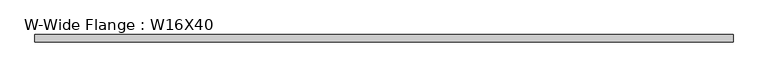
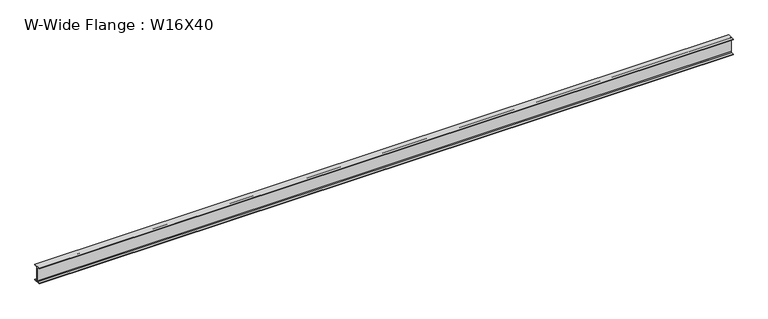
"""IFC4 building model written with IfcOpenShell, lengths in millimetres: beam geometry, W-Wide Flange : W16X40."""

from ifc_helpers import new_model, si_unit, point, frame, frame_2d, origin, place, context, project, spatial, polyline, circle_curve, trimmed, segment, composite_curve, outline, extrude, source, transform, mapped, element, save


def w_wide_flange_w16x40_b21cb5b0(model_context):
    return source(origin(), model_context, "Body", "SweptSolid", [
        extrude(outline(composite_curve([segment(polyline([(88.9, -190.4), (88.9, -203.2), (-88.9, -203.2), (-88.9, -190.4), (-21.25, -190.4)]), True, "CONTINUOUS"), segment(trimmed(circle_curve(frame_2d((-21.25, -173.0)), 17.4), [point((-21.25, -190.4))], [point((-3.85, -173.0))], True, "CARTESIAN"), True, "CONTINUOUS"), segment(polyline([(-3.85, -173.0), (-3.85, 173.0)]), True, "CONTINUOUS"), segment(trimmed(circle_curve(frame_2d((-21.25, 173.0)), 17.4), [point((-3.85, 173.0))], [point((-21.25, 190.4))], True, "CARTESIAN"), True, "CONTINUOUS"), segment(polyline([(-21.25, 190.4), (-88.9, 190.4), (-88.9, 203.2), (88.9, 203.2), (88.9, 190.4), (21.25, 190.4)]), True, "CONTINUOUS"), segment(trimmed(circle_curve(frame_2d((21.25, 173.0)), 17.4), [point((21.25, 190.4))], [point((3.85, 173.0))], True, "CARTESIAN"), True, "CONTINUOUS"), segment(polyline([(3.85, 173.0), (3.85, -173.0)]), True, "CONTINUOUS"), segment(trimmed(circle_curve(frame_2d((21.25, -173.0)), 17.4), [point((3.85, -173.0))], [point((21.25, -190.4))], True, "CARTESIAN"), True, "CONTINUOUS"), segment(polyline([(21.25, -190.4), (88.9, -190.4)]), True, "CONTINUOUS")], self_intersect=False)), frame((-4593.1697842, 0.0, 0.0), z_axis=(1.0, 0.0, 0.0), x_axis=(0.0, 1.0, 0.0)), (0.0, 0.0, 1.0), 17173.6872881),
    ])


if __name__ == "__main__":
    model = new_model("IFC4")
    model_context = context("Model", 3, world=origin())
    ifc_project = project(units=[si_unit("LENGTHUNIT", "METRE", prefix="MILLI")], contexts=[model_context])
    site = spatial("IfcSite", under=ifc_project)
    building = spatial("IfcBuilding", under=site)
    placement = place(None, origin())
    w_wide_flange_w16x40_shape = w_wide_flange_w16x40_b21cb5b0(model_context)
    element("IfcBeam", 1, ObjectType="W-Wide Flange : W16X40", at=placement, inside=building, context=model_context, shape_type="MappedRepresentation", body=[
        mapped(w_wide_flange_w16x40_shape, transform((0.0, 0.0, 0.0), x_axis=(1.0, 0.0, 0.0), y_axis=(0.0, 1.0, 0.0), z_axis=(0.0, 0.0, 1.0))),
    ])
    save(model, "model.ifc")
